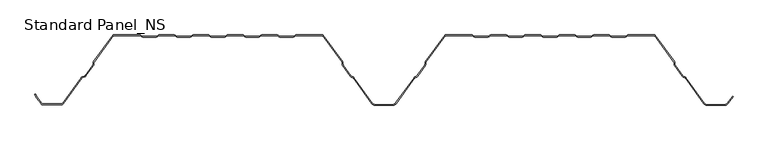
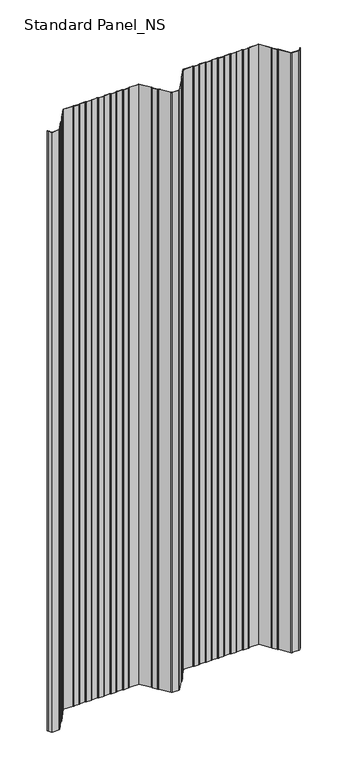
"""IFC4 building model written with IfcOpenShell, lengths in millimetres: proxy geometry, Standard Panel_NS."""

from ifc_helpers import new_model, si_unit, point, frame_2d, origin, origin_with_axes, place, context, project, spatial, polyline, circle_curve, trimmed, segment, composite_curve, outline, extrude, source, transform, mapped, element, save


def standard_panel_ns_6c4999a2(model_context):
    return source(origin(), model_context, "Body", "SweptSolid", [
        extrude(outline(composite_curve([segment(polyline([(-491.8230655, -98.864737), (-498.3914548, -89.8048897), (-500.5883843, -85.4014829), (-499.6935694, -84.9550455), (-497.5334488, -89.2846747), (-491.013455, -98.2777695)]), True, "CONTINUOUS"), segment(trimmed(circle_curve(frame_2d((-489.5977663, -97.2513951)), 1.7486049), [point((-491.013455, -98.2777695))], [point((-489.5977663, -99.0))], True, "CARTESIAN"), True, "CONTINUOUS"), segment(polyline([(-489.5977663, -99.0), (-462.4022334, -99.0)]), True, "CONTINUOUS"), segment(trimmed(circle_curve(frame_2d((-462.4022334, -97.2513951)), 1.7486049), [point((-462.4022334, -99.0))], [point((-460.9865447, -98.2777695))], True, "CARTESIAN"), True, "CONTINUOUS"), segment(polyline([(-460.9865447, -98.2777695), (-434.190829, -61.3181617)]), True, "CONTINUOUS"), segment(trimmed(circle_curve(frame_2d((-431.9655298, -62.9315037)), 2.7486049), [point((-434.190829, -61.3181617))], [point((-432.9221696, -60.3547481))], False, "CARTESIAN"), True, "CONTINUOUS"), segment(polyline([(-432.9221696, -60.3547481), (-429.1284964, -58.9463185)]), True, "CONTINUOUS"), segment(trimmed(circle_curve(frame_2d((-429.7370906, -57.3070406)), 1.7486049), [point((-429.1284964, -58.9463185))], [point((-428.3214018, -58.333415))], True, "CARTESIAN"), True, "CONTINUOUS"), segment(polyline([(-428.3214018, -58.333415), (-417.5718644, -43.5064668)]), True, "CONTINUOUS"), segment(trimmed(circle_curve(frame_2d((-418.9875532, -42.4800924)), 1.7486049), [point((-417.5718644, -43.5064668))], [point((-417.2402989, -42.5488047))], True, "CARTESIAN"), True, "CONTINUOUS"), segment(polyline([(-417.2402989, -42.5488047), (-417.1521235, -40.3066321)]), True, "CONTINUOUS"), segment(trimmed(circle_curve(frame_2d((-414.4056416, -40.4146398)), 2.7486049), [point((-417.1521235, -40.3066321))], [point((-416.6309408, -38.8012978))], False, "CARTESIAN"), True, "CONTINUOUS"), segment(polyline([(-416.6309408, -38.8012978), (-388.4999998, 0.0), (-350.1655438, 0.0)]), True, "CONTINUOUS"), segment(trimmed(circle_curve(frame_2d((-350.1655438, -2.7486049)), 2.7486049), [point((-350.1655438, 0.0))], [point((-348.6408921, -0.4616274))], False, "CARTESIAN"), True, "CONTINUOUS"), segment(polyline([(-348.6408921, -0.4616274), (-346.7738497, -1.7063223)]), True, "CONTINUOUS"), segment(trimmed(circle_curve(frame_2d((-345.8038982, -0.2513951)), 1.7486049), [point((-346.7738497, -1.7063223))], [point((-345.8038982, -2.0))], True, "CARTESIAN"), True, "CONTINUOUS"), segment(polyline([(-345.8038982, -2.0), (-326.8627681, -2.0)]), True, "CONTINUOUS"), segment(trimmed(circle_curve(frame_2d((-326.8627681, -0.2513951)), 1.7486049), [point((-326.8627681, -2.0))], [point((-325.8928167, -1.7063223))], True, "CARTESIAN"), True, "CONTINUOUS"), segment(polyline([(-325.8928167, -1.7063223), (-324.0257743, -0.4616274)]), True, "CONTINUOUS"), segment(trimmed(circle_curve(frame_2d((-322.5011226, -2.7486049)), 2.7486049), [point((-324.0257743, -0.4616274))], [point((-322.5011226, 0.0))], False, "CARTESIAN"), True, "CONTINUOUS"), segment(polyline([(-322.5011226, 0.0), (-300.9988771, 0.0)]), True, "CONTINUOUS"), segment(trimmed(circle_curve(frame_2d((-300.9988771, -2.7486049)), 2.7486049), [point((-300.9988771, 0.0))], [point((-299.4742254, -0.4616274))], False, "CARTESIAN"), True, "CONTINUOUS"), segment(polyline([(-299.4742254, -0.4616274), (-297.607183, -1.7063223)]), True, "CONTINUOUS"), segment(trimmed(circle_curve(frame_2d((-296.6372316, -0.2513951)), 1.7486049), [point((-297.607183, -1.7063223))], [point((-296.6372316, -2.0))], True, "CARTESIAN"), True, "CONTINUOUS"), segment(polyline([(-296.6372316, -2.0), (-277.6961015, -2.0)]), True, "CONTINUOUS"), segment(trimmed(circle_curve(frame_2d((-277.6961015, -0.2513951)), 1.7486049), [point((-277.6961015, -2.0))], [point((-276.72615, -1.7063223))], True, "CARTESIAN"), True, "CONTINUOUS"), segment(polyline([(-276.72615, -1.7063223), (-274.8591076, -0.4616274)]), True, "CONTINUOUS"), segment(trimmed(circle_curve(frame_2d((-273.3344559, -2.7486049)), 2.7486049), [point((-274.8591076, -0.4616274))], [point((-273.3344559, 0.0))], False, "CARTESIAN"), True, "CONTINUOUS"), segment(polyline([(-273.3344559, 0.0), (-251.8322104, 0.0)]), True, "CONTINUOUS"), segment(trimmed(circle_curve(frame_2d((-251.8322104, -2.7486049)), 2.7486049), [point((-251.8322104, 0.0))], [point((-250.3075588, -0.4616274))], False, "CARTESIAN"), True, "CONTINUOUS"), segment(polyline([(-250.3075588, -0.4616274), (-248.4405164, -1.7063223)]), True, "CONTINUOUS"), segment(trimmed(circle_curve(frame_2d((-247.4705649, -0.2513951)), 1.7486049), [point((-248.4405164, -1.7063223))], [point((-247.4705649, -2.0))], True, "CARTESIAN"), True, "CONTINUOUS"), segment(polyline([(-247.4705649, -2.0), (-228.5294348, -2.0)]), True, "CONTINUOUS"), segment(trimmed(circle_curve(frame_2d((-228.5294348, -0.2513951)), 1.7486049), [point((-228.5294348, -2.0))], [point((-227.5594833, -1.7063223))], True, "CARTESIAN"), True, "CONTINUOUS"), segment(polyline([(-227.5594833, -1.7063223), (-225.6924409, -0.4616274)]), True, "CONTINUOUS"), segment(trimmed(circle_curve(frame_2d((-224.1677892, -2.7486049)), 2.7486049), [point((-225.6924409, -0.4616274))], [point((-224.1677892, 0.0))], False, "CARTESIAN"), True, "CONTINUOUS"), segment(polyline([(-224.1677892, 0.0), (-202.6655438, 0.0)]), True, "CONTINUOUS"), segment(trimmed(circle_curve(frame_2d((-202.6655438, -2.7486049)), 2.7486049), [point((-202.6655438, 0.0))], [point((-201.1408921, -0.4616274))], False, "CARTESIAN"), True, "CONTINUOUS"), segment(polyline([(-201.1408921, -0.4616274), (-199.2738497, -1.7063223)]), True, "CONTINUOUS"), segment(trimmed(circle_curve(frame_2d((-198.3038982, -0.2513951)), 1.7486049), [point((-199.2738497, -1.7063223))], [point((-198.3038982, -2.0))], True, "CARTESIAN"), True, "CONTINUOUS"), segment(polyline([(-198.3038982, -2.0), (-179.3627681, -2.0)]), True, "CONTINUOUS"), segment(trimmed(circle_curve(frame_2d((-179.3627681, -0.2513951)), 1.7486049), [point((-179.3627681, -2.0))], [point((-178.3928167, -1.7063223))], True, "CARTESIAN"), True, "CONTINUOUS"), segment(polyline([(-178.3928167, -1.7063223), (-176.5257743, -0.4616274)]), True, "CONTINUOUS"), segment(trimmed(circle_curve(frame_2d((-175.0011226, -2.7486049)), 2.7486049), [point((-176.5257743, -0.4616274))], [point((-175.0011226, 0.0))], False, "CARTESIAN"), True, "CONTINUOUS"), segment(polyline([(-175.0011226, 0.0), (-153.4988771, 0.0)]), True, "CONTINUOUS"), segment(trimmed(circle_curve(frame_2d((-153.4988771, -2.7486049)), 2.7486049), [point((-153.4988771, 0.0))], [point((-151.9742254, -0.4616274))], False, "CARTESIAN"), True, "CONTINUOUS"), segment(polyline([(-151.9742254, -0.4616274), (-150.107183, -1.7063223)]), True, "CONTINUOUS"), segment(trimmed(circle_curve(frame_2d((-149.1372316, -0.2513951)), 1.7486049), [point((-150.107183, -1.7063223))], [point((-149.1372316, -2.0))], True, "CARTESIAN"), True, "CONTINUOUS"), segment(polyline([(-149.1372316, -2.0), (-130.1961015, -2.0)]), True, "CONTINUOUS"), segment(trimmed(circle_curve(frame_2d((-130.1961015, -0.2513951)), 1.7486049), [point((-130.1961015, -2.0))], [point((-129.22615, -1.7063223))], True, "CARTESIAN"), True, "CONTINUOUS"), segment(polyline([(-129.22615, -1.7063223), (-127.3591076, -0.4616274)]), True, "CONTINUOUS"), segment(trimmed(circle_curve(frame_2d((-125.8344559, -2.7486049)), 2.7486049), [point((-127.3591076, -0.4616274))], [point((-125.8344559, 0.0))], False, "CARTESIAN"), True, "CONTINUOUS"), segment(polyline([(-125.8344559, 0.0), (-87.4999998, 0.0), (-59.3690589, -38.8012978)]), True, "CONTINUOUS"), segment(trimmed(circle_curve(frame_2d((-61.5943581, -40.4146398)), 2.7486049), [point((-59.3690589, -38.8012978))], [point((-58.8478762, -40.3066321))], False, "CARTESIAN"), True, "CONTINUOUS"), segment(polyline([(-58.8478762, -40.3066321), (-58.7597008, -42.5488047)]), True, "CONTINUOUS"), segment(trimmed(circle_curve(frame_2d((-57.0124465, -42.4800924)), 1.7486049), [point((-58.7597008, -42.5488047))], [point((-58.4281353, -43.5064668))], True, "CARTESIAN"), True, "CONTINUOUS"), segment(polyline([(-58.4281353, -43.5064668), (-47.3103062, -58.8414035)]), True, "CONTINUOUS"), segment(trimmed(circle_curve(frame_2d((-45.8946174, -57.8150291)), 1.7486049), [point((-47.3103062, -58.8414035))], [point((-46.5032116, -59.4543071))], True, "CARTESIAN"), True, "CONTINUOUS"), segment(polyline([(-46.5032116, -59.4543071), (-44.3996002, -60.2352885)]), True, "CONTINUOUS"), segment(trimmed(circle_curve(frame_2d((-45.35624, -62.8120441)), 2.7486049), [point((-44.3996002, -60.2352885))], [point((-43.1309408, -61.1987022))], False, "CARTESIAN"), True, "CONTINUOUS"), segment(polyline([(-43.1309408, -61.1987022), (-16.4972424, -97.9348379)]), True, "CONTINUOUS"), segment(trimmed(circle_curve(frame_2d((-12.4491902, -95.0)), 5.0), [point((-16.4972424, -97.9348379))], [point((-12.4491902, -100.0))], True, "CARTESIAN"), True, "CONTINUOUS"), segment(polyline([(-12.4491902, -100.0), (12.4491905, -100.0)]), True, "CONTINUOUS"), segment(trimmed(circle_curve(frame_2d((12.4491905, -95.0)), 5.0), [point((12.4491905, -100.0))], [point((16.4972427, -97.9348379))], True, "CARTESIAN"), True, "CONTINUOUS"), segment(polyline([(16.4972427, -97.9348379), (43.1309411, -61.1987022)]), True, "CONTINUOUS"), segment(trimmed(circle_curve(frame_2d((45.3562403, -62.8120441)), 2.7486049), [point((43.1309411, -61.1987022))], [point((44.3996005, -60.2352885))], False, "CARTESIAN"), True, "CONTINUOUS"), segment(polyline([(44.3996005, -60.2352885), (46.5032119, -59.4543071)]), True, "CONTINUOUS"), segment(trimmed(circle_curve(frame_2d((45.8946177, -57.8150291)), 1.7486049), [point((46.5032119, -59.4543071))], [point((47.3103065, -58.8414035))], True, "CARTESIAN"), True, "CONTINUOUS"), segment(polyline([(47.3103065, -58.8414035), (58.4281356, -43.5064668)]), True, "CONTINUOUS"), segment(trimmed(circle_curve(frame_2d((57.0124468, -42.4800924)), 1.7486049), [point((58.4281356, -43.5064668))], [point((58.7597011, -42.5488047))], True, "CARTESIAN"), True, "CONTINUOUS"), segment(polyline([(58.7597011, -42.5488047), (58.8478765, -40.3066321)]), True, "CONTINUOUS"), segment(trimmed(circle_curve(frame_2d((61.5943584, -40.4146398)), 2.7486049), [point((58.8478765, -40.3066321))], [point((59.3690592, -38.8012978))], False, "CARTESIAN"), True, "CONTINUOUS"), segment(polyline([(59.3690592, -38.8012978), (87.5000002, 0.0), (125.8344562, 0.0)]), True, "CONTINUOUS"), segment(trimmed(circle_curve(frame_2d((125.8344562, -2.7486049)), 2.7486049), [point((125.8344562, 0.0))], [point((127.3591079, -0.4616274))], False, "CARTESIAN"), True, "CONTINUOUS"), segment(polyline([(127.3591079, -0.4616274), (129.2261503, -1.7063223)]), True, "CONTINUOUS"), segment(trimmed(circle_curve(frame_2d((130.1961018, -0.2513951)), 1.7486049), [point((129.2261503, -1.7063223))], [point((130.1961018, -2.0))], True, "CARTESIAN"), True, "CONTINUOUS"), segment(polyline([(130.1961018, -2.0), (149.1372319, -2.0)]), True, "CONTINUOUS"), segment(trimmed(circle_curve(frame_2d((149.1372319, -0.2513951)), 1.7486049), [point((149.1372319, -2.0))], [point((150.1071833, -1.7063223))], True, "CARTESIAN"), True, "CONTINUOUS"), segment(polyline([(150.1071833, -1.7063223), (151.9742257, -0.4616274)]), True, "CONTINUOUS"), segment(trimmed(circle_curve(frame_2d((153.4988774, -2.7486049)), 2.7486049), [point((151.9742257, -0.4616274))], [point((153.4988774, 0.0))], False, "CARTESIAN"), True, "CONTINUOUS"), segment(polyline([(153.4988774, 0.0), (175.0011229, 0.0)]), True, "CONTINUOUS"), segment(trimmed(circle_curve(frame_2d((175.0011229, -2.7486049)), 2.7486049), [point((175.0011229, 0.0))], [point((176.5257746, -0.4616274))], False, "CARTESIAN"), True, "CONTINUOUS"), segment(polyline([(176.5257746, -0.4616274), (178.392817, -1.7063223)]), True, "CONTINUOUS"), segment(trimmed(circle_curve(frame_2d((179.3627684, -0.2513951)), 1.7486049), [point((178.392817, -1.7063223))], [point((179.3627684, -2.0))], True, "CARTESIAN"), True, "CONTINUOUS"), segment(polyline([(179.3627684, -2.0), (198.3038985, -2.0)]), True, "CONTINUOUS"), segment(trimmed(circle_curve(frame_2d((198.3038985, -0.2513951)), 1.7486049), [point((198.3038985, -2.0))], [point((199.27385, -1.7063223))], True, "CARTESIAN"), True, "CONTINUOUS"), segment(polyline([(199.27385, -1.7063223), (201.1408924, -0.4616274)]), True, "CONTINUOUS"), segment(trimmed(circle_curve(frame_2d((202.6655441, -2.7486049)), 2.7486049), [point((201.1408924, -0.4616274))], [point((202.6655441, 0.0))], False, "CARTESIAN"), True, "CONTINUOUS"), segment(polyline([(202.6655441, 0.0), (224.1677896, 0.0)]), True, "CONTINUOUS"), segment(trimmed(circle_curve(frame_2d((224.1677896, -2.7486049)), 2.7486049), [point((224.1677896, 0.0))], [point((225.6924412, -0.4616274))], False, "CARTESIAN"), True, "CONTINUOUS"), segment(polyline([(225.6924412, -0.4616274), (227.5594836, -1.7063223)]), True, "CONTINUOUS"), segment(trimmed(circle_curve(frame_2d((228.5294351, -0.2513951)), 1.7486049), [point((227.5594836, -1.7063223))], [point((228.5294351, -2.0))], True, "CARTESIAN"), True, "CONTINUOUS"), segment(polyline([(228.5294351, -2.0), (247.4705652, -2.0)]), True, "CONTINUOUS"), segment(trimmed(circle_curve(frame_2d((247.4705652, -0.2513951)), 1.7486049), [point((247.4705652, -2.0))], [point((248.4405167, -1.7063223))], True, "CARTESIAN"), True, "CONTINUOUS"), segment(polyline([(248.4405167, -1.7063223), (250.3075591, -0.4616274)]), True, "CONTINUOUS"), segment(trimmed(circle_curve(frame_2d((251.8322108, -2.7486049)), 2.7486049), [point((250.3075591, -0.4616274))], [point((251.8322108, 0.0))], False, "CARTESIAN"), True, "CONTINUOUS"), segment(polyline([(251.8322108, 0.0), (273.3344562, 0.0)]), True, "CONTINUOUS"), segment(trimmed(circle_curve(frame_2d((273.3344562, -2.7486049)), 2.7486049), [point((273.3344562, 0.0))], [point((274.8591079, -0.4616274))], False, "CARTESIAN"), True, "CONTINUOUS"), segment(polyline([(274.8591079, -0.4616274), (276.7261503, -1.7063223)]), True, "CONTINUOUS"), segment(trimmed(circle_curve(frame_2d((277.6961018, -0.2513951)), 1.7486049), [point((276.7261503, -1.7063223))], [point((277.6961018, -2.0))], True, "CARTESIAN"), True, "CONTINUOUS"), segment(polyline([(277.6961018, -2.0), (296.6372319, -2.0)]), True, "CONTINUOUS"), segment(trimmed(circle_curve(frame_2d((296.6372319, -0.2513951)), 1.7486049), [point((296.6372319, -2.0))], [point((297.6071833, -1.7063223))], True, "CARTESIAN"), True, "CONTINUOUS"), segment(polyline([(297.6071833, -1.7063223), (299.4742257, -0.4616274)]), True, "CONTINUOUS"), segment(trimmed(circle_curve(frame_2d((300.9988774, -2.7486049)), 2.7486049), [point((299.4742257, -0.4616274))], [point((300.9988774, 0.0))], False, "CARTESIAN"), True, "CONTINUOUS"), segment(polyline([(300.9988774, 0.0), (322.5011229, 0.0)]), True, "CONTINUOUS"), segment(trimmed(circle_curve(frame_2d((322.5011229, -2.7486049)), 2.7486049), [point((322.5011229, 0.0))], [point((324.0257746, -0.4616274))], False, "CARTESIAN"), True, "CONTINUOUS"), segment(polyline([(324.0257746, -0.4616274), (325.892817, -1.7063223)]), True, "CONTINUOUS"), segment(trimmed(circle_curve(frame_2d((326.8627684, -0.2513951)), 1.7486049), [point((325.892817, -1.7063223))], [point((326.8627684, -2.0))], True, "CARTESIAN"), True, "CONTINUOUS"), segment(polyline([(326.8627684, -2.0), (345.8038985, -2.0)]), True, "CONTINUOUS"), segment(trimmed(circle_curve(frame_2d((345.8038985, -0.2513951)), 1.7486049), [point((345.8038985, -2.0))], [point((346.77385, -1.7063223))], True, "CARTESIAN"), True, "CONTINUOUS"), segment(polyline([(346.77385, -1.7063223), (348.6408924, -0.4616274)]), True, "CONTINUOUS"), segment(trimmed(circle_curve(frame_2d((350.1655441, -2.7486049)), 2.7486049), [point((348.6408924, -0.4616274))], [point((350.1655441, 0.0))], False, "CARTESIAN"), True, "CONTINUOUS"), segment(polyline([(350.1655441, 0.0), (388.5000002, 0.0), (416.6309411, -38.8012978)]), True, "CONTINUOUS"), segment(trimmed(circle_curve(frame_2d((414.4056419, -40.4146398)), 2.7486049), [point((416.6309411, -38.8012978))], [point((417.1521238, -40.3066321))], False, "CARTESIAN"), True, "CONTINUOUS"), segment(polyline([(417.1521238, -40.3066321), (417.2402992, -42.5488047)]), True, "CONTINUOUS"), segment(trimmed(circle_curve(frame_2d((418.9875535, -42.4800924)), 1.7486049), [point((417.2402992, -42.5488047))], [point((417.5718647, -43.5064668))], True, "CARTESIAN"), True, "CONTINUOUS"), segment(polyline([(417.5718647, -43.5064668), (428.6896938, -58.8414035)]), True, "CONTINUOUS"), segment(trimmed(circle_curve(frame_2d((430.1053826, -57.8150291)), 1.7486049), [point((428.6896938, -58.8414035))], [point((429.4967884, -59.4543071))], True, "CARTESIAN"), True, "CONTINUOUS"), segment(polyline([(429.4967884, -59.4543071), (431.6003998, -60.2352885)]), True, "CONTINUOUS"), segment(trimmed(circle_curve(frame_2d((430.64376, -62.8120441)), 2.7486049), [point((431.6003998, -60.2352885))], [point((432.8690592, -61.1987022))], False, "CARTESIAN"), True, "CONTINUOUS"), segment(polyline([(432.8690592, -61.1987022), (459.5027576, -97.9348379)]), True, "CONTINUOUS"), segment(trimmed(circle_curve(frame_2d((463.5508098, -95.0)), 5.0), [point((459.5027576, -97.9348379))], [point((463.5508098, -100.0))], True, "CARTESIAN"), True, "CONTINUOUS"), segment(polyline([(463.5508098, -100.0), (488.4491905, -100.0)]), True, "CONTINUOUS"), segment(trimmed(circle_curve(frame_2d((488.4491905, -95.0)), 5.0), [point((488.4491905, -100.0))], [point((492.4972427, -97.9348379))], True, "CARTESIAN"), True, "CONTINUOUS"), segment(polyline([(492.4972427, -97.9348379), (499.8045137, -87.8558433), (500.6141242, -88.4428109), (493.3068531, -98.5218054)]), True, "CONTINUOUS"), segment(trimmed(circle_curve(frame_2d((488.4491905, -95.0)), 6.0), [point((493.3068531, -98.5218054))], [point((488.4491905, -101.0))], False, "CARTESIAN"), True, "CONTINUOUS"), segment(polyline([(488.4491905, -101.0), (463.5508098, -101.0)]), True, "CONTINUOUS"), segment(trimmed(circle_curve(frame_2d((463.5508098, -95.0)), 6.0), [point((463.5508098, -101.0))], [point((458.6931472, -98.5218054))], False, "CARTESIAN"), True, "CONTINUOUS"), segment(polyline([(458.6931472, -98.5218054), (432.0594488, -61.7856697)]), True, "CONTINUOUS"), segment(trimmed(circle_curve(frame_2d((430.64376, -62.8120441)), 1.7486049), [point((432.0594488, -61.7856697))], [point((431.2523542, -61.1727662))], True, "CARTESIAN"), True, "CONTINUOUS"), segment(polyline([(431.2523542, -61.1727662), (429.1487428, -60.3917847)]), True, "CONTINUOUS"), segment(trimmed(circle_curve(frame_2d((430.1053826, -57.8150291)), 2.7486049), [point((429.1487428, -60.3917847))], [point((427.8800834, -59.4283711))], False, "CARTESIAN"), True, "CONTINUOUS"), segment(polyline([(427.8800834, -59.4283711), (416.7622543, -44.0934344)]), True, "CONTINUOUS"), segment(trimmed(circle_curve(frame_2d((418.9875535, -42.4800924)), 2.7486049), [point((416.7622543, -44.0934344))], [point((416.2410715, -42.5881001))], False, "CARTESIAN"), True, "CONTINUOUS"), segment(polyline([(416.2410715, -42.5881001), (416.1528962, -40.3459275)]), True, "CONTINUOUS"), segment(trimmed(circle_curve(frame_2d((414.4056419, -40.4146398)), 1.7486049), [point((416.1528962, -40.3459275))], [point((415.8213306, -39.3882654))], True, "CARTESIAN"), True, "CONTINUOUS"), segment(polyline([(415.8213306, -39.3882654), (387.9898382, -1.0), (350.1655441, -1.0)]), True, "CONTINUOUS"), segment(trimmed(circle_curve(frame_2d((350.1655441, -2.7486049)), 1.7486049), [point((350.1655441, -1.0))], [point((349.1955926, -1.2936777))], True, "CARTESIAN"), True, "CONTINUOUS"), segment(polyline([(349.1955926, -1.2936777), (347.3285502, -2.5383726)]), True, "CONTINUOUS"), segment(trimmed(circle_curve(frame_2d((345.8038985, -0.2513951)), 2.7486049), [point((347.3285502, -2.5383726))], [point((345.8038985, -3.0))], False, "CARTESIAN"), True, "CONTINUOUS"), segment(polyline([(345.8038985, -3.0), (326.8627684, -3.0)]), True, "CONTINUOUS"), segment(trimmed(circle_curve(frame_2d((326.8627684, -0.2513951)), 2.7486049), [point((326.8627684, -3.0))], [point((325.3381168, -2.5383726))], False, "CARTESIAN"), True, "CONTINUOUS"), segment(polyline([(325.3381168, -2.5383726), (323.4710744, -1.2936777)]), True, "CONTINUOUS"), segment(trimmed(circle_curve(frame_2d((322.5011229, -2.7486049)), 1.7486049), [point((323.4710744, -1.2936777))], [point((322.5011229, -1.0))], True, "CARTESIAN"), True, "CONTINUOUS"), segment(polyline([(322.5011229, -1.0), (300.9988774, -1.0)]), True, "CONTINUOUS"), segment(trimmed(circle_curve(frame_2d((300.9988774, -2.7486049)), 1.7486049), [point((300.9988774, -1.0))], [point((300.0289259, -1.2936777))], True, "CARTESIAN"), True, "CONTINUOUS"), segment(polyline([(300.0289259, -1.2936777), (298.1618835, -2.5383726)]), True, "CONTINUOUS"), segment(trimmed(circle_curve(frame_2d((296.6372319, -0.2513951)), 2.7486049), [point((298.1618835, -2.5383726))], [point((296.6372319, -3.0))], False, "CARTESIAN"), True, "CONTINUOUS"), segment(polyline([(296.6372319, -3.0), (277.6961018, -3.0)]), True, "CONTINUOUS"), segment(trimmed(circle_curve(frame_2d((277.6961018, -0.2513951)), 2.7486049), [point((277.6961018, -3.0))], [point((276.1714501, -2.5383726))], False, "CARTESIAN"), True, "CONTINUOUS"), segment(polyline([(276.1714501, -2.5383726), (274.3044077, -1.2936777)]), True, "CONTINUOUS"), segment(trimmed(circle_curve(frame_2d((273.3344562, -2.7486049)), 1.7486049), [point((274.3044077, -1.2936777))], [point((273.3344562, -1.0))], True, "CARTESIAN"), True, "CONTINUOUS"), segment(polyline([(273.3344562, -1.0), (251.8322108, -1.0)]), True, "CONTINUOUS"), segment(trimmed(circle_curve(frame_2d((251.8322108, -2.7486049)), 1.7486049), [point((251.8322108, -1.0))], [point((250.8622593, -1.2936777))], True, "CARTESIAN"), True, "CONTINUOUS"), segment(polyline([(250.8622593, -1.2936777), (248.9952169, -2.5383726)]), True, "CONTINUOUS"), segment(trimmed(circle_curve(frame_2d((247.4705652, -0.2513951)), 2.7486049), [point((248.9952169, -2.5383726))], [point((247.4705652, -3.0))], False, "CARTESIAN"), True, "CONTINUOUS"), segment(polyline([(247.4705652, -3.0), (228.5294351, -3.0)]), True, "CONTINUOUS"), segment(trimmed(circle_curve(frame_2d((228.5294351, -0.2513951)), 2.7486049), [point((228.5294351, -3.0))], [point((227.0047834, -2.5383726))], False, "CARTESIAN"), True, "CONTINUOUS"), segment(polyline([(227.0047834, -2.5383726), (225.137741, -1.2936777)]), True, "CONTINUOUS"), segment(trimmed(circle_curve(frame_2d((224.1677896, -2.7486049)), 1.7486049), [point((225.137741, -1.2936777))], [point((224.1677896, -1.0))], True, "CARTESIAN"), True, "CONTINUOUS"), segment(polyline([(224.1677896, -1.0), (202.6655441, -1.0)]), True, "CONTINUOUS"), segment(trimmed(circle_curve(frame_2d((202.6655441, -2.7486049)), 1.7486049), [point((202.6655441, -1.0))], [point((201.6955926, -1.2936777))], True, "CARTESIAN"), True, "CONTINUOUS"), segment(polyline([(201.6955926, -1.2936777), (199.8285502, -2.5383726)]), True, "CONTINUOUS"), segment(trimmed(circle_curve(frame_2d((198.3038985, -0.2513951)), 2.7486049), [point((199.8285502, -2.5383726))], [point((198.3038985, -3.0))], False, "CARTESIAN"), True, "CONTINUOUS"), segment(polyline([(198.3038985, -3.0), (179.3627684, -3.0)]), True, "CONTINUOUS"), segment(trimmed(circle_curve(frame_2d((179.3627684, -0.2513951)), 2.7486049), [point((179.3627684, -3.0))], [point((177.8381168, -2.5383726))], False, "CARTESIAN"), True, "CONTINUOUS"), segment(polyline([(177.8381168, -2.5383726), (175.9710744, -1.2936777)]), True, "CONTINUOUS"), segment(trimmed(circle_curve(frame_2d((175.0011229, -2.7486049)), 1.7486049), [point((175.9710744, -1.2936777))], [point((175.0011229, -1.0))], True, "CARTESIAN"), True, "CONTINUOUS"), segment(polyline([(175.0011229, -1.0), (153.4988774, -1.0)]), True, "CONTINUOUS"), segment(trimmed(circle_curve(frame_2d((153.4988774, -2.7486049)), 1.7486049), [point((153.4988774, -1.0))], [point((152.5289259, -1.2936777))], True, "CARTESIAN"), True, "CONTINUOUS"), segment(polyline([(152.5289259, -1.2936777), (150.6618835, -2.5383726)]), True, "CONTINUOUS"), segment(trimmed(circle_curve(frame_2d((149.1372319, -0.2513951)), 2.7486049), [point((150.6618835, -2.5383726))], [point((149.1372319, -3.0))], False, "CARTESIAN"), True, "CONTINUOUS"), segment(polyline([(149.1372319, -3.0), (130.1961018, -3.0)]), True, "CONTINUOUS"), segment(trimmed(circle_curve(frame_2d((130.1961018, -0.2513951)), 2.7486049), [point((130.1961018, -3.0))], [point((128.6714501, -2.5383726))], False, "CARTESIAN"), True, "CONTINUOUS"), segment(polyline([(128.6714501, -2.5383726), (126.8044077, -1.2936777)]), True, "CONTINUOUS"), segment(trimmed(circle_curve(frame_2d((125.8344562, -2.7486049)), 1.7486049), [point((126.8044077, -1.2936777))], [point((125.8344562, -1.0))], True, "CARTESIAN"), True, "CONTINUOUS"), segment(polyline([(125.8344562, -1.0), (88.0101621, -1.0), (60.1786697, -39.3882654)]), True, "CONTINUOUS"), segment(trimmed(circle_curve(frame_2d((61.5943584, -40.4146398)), 1.7486049), [point((60.1786697, -39.3882654))], [point((59.8471041, -40.3459275))], True, "CARTESIAN"), True, "CONTINUOUS"), segment(polyline([(59.8471041, -40.3459275), (59.7589288, -42.5881001)]), True, "CONTINUOUS"), segment(trimmed(circle_curve(frame_2d((57.0124468, -42.4800924)), 2.7486049), [point((59.7589288, -42.5881001))], [point((59.237746, -44.0934344))], False, "CARTESIAN"), True, "CONTINUOUS"), segment(polyline([(59.237746, -44.0934344), (48.1199169, -59.4283711)]), True, "CONTINUOUS"), segment(trimmed(circle_curve(frame_2d((45.8946177, -57.8150291)), 2.7486049), [point((48.1199169, -59.4283711))], [point((46.8512575, -60.3917847))], False, "CARTESIAN"), True, "CONTINUOUS"), segment(polyline([(46.8512575, -60.3917847), (44.7476461, -61.1727662)]), True, "CONTINUOUS"), segment(trimmed(circle_curve(frame_2d((45.3562403, -62.8120441)), 1.7486049), [point((44.7476461, -61.1727662))], [point((43.9405515, -61.7856697))], True, "CARTESIAN"), True, "CONTINUOUS"), segment(polyline([(43.9405515, -61.7856697), (17.3068531, -98.5218054)]), True, "CONTINUOUS"), segment(trimmed(circle_curve(frame_2d((12.4491905, -95.0)), 6.0), [point((17.3068531, -98.5218054))], [point((12.4491905, -101.0))], False, "CARTESIAN"), True, "CONTINUOUS"), segment(polyline([(12.4491905, -101.0), (-12.4491902, -101.0)]), True, "CONTINUOUS"), segment(trimmed(circle_curve(frame_2d((-12.4491902, -95.0)), 6.0), [point((-12.4491902, -101.0))], [point((-17.3068528, -98.5218054))], False, "CARTESIAN"), True, "CONTINUOUS"), segment(polyline([(-17.3068528, -98.5218054), (-43.9405512, -61.7856697)]), True, "CONTINUOUS"), segment(trimmed(circle_curve(frame_2d((-45.35624, -62.8120441)), 1.7486049), [point((-43.9405512, -61.7856697))], [point((-44.7476458, -61.1727662))], True, "CARTESIAN"), True, "CONTINUOUS"), segment(polyline([(-44.7476458, -61.1727662), (-46.8512572, -60.3917847)]), True, "CONTINUOUS"), segment(trimmed(circle_curve(frame_2d((-45.8946174, -57.8150291)), 2.7486049), [point((-46.8512572, -60.3917847))], [point((-48.1199166, -59.4283711))], False, "CARTESIAN"), True, "CONTINUOUS"), segment(polyline([(-48.1199166, -59.4283711), (-59.2377457, -44.0934344)]), True, "CONTINUOUS"), segment(trimmed(circle_curve(frame_2d((-57.0124465, -42.4800924)), 2.7486049), [point((-59.2377457, -44.0934344))], [point((-59.7589285, -42.5881001))], False, "CARTESIAN"), True, "CONTINUOUS"), segment(polyline([(-59.7589285, -42.5881001), (-59.8471038, -40.3459275)]), True, "CONTINUOUS"), segment(trimmed(circle_curve(frame_2d((-61.5943581, -40.4146398)), 1.7486049), [point((-59.8471038, -40.3459275))], [point((-60.1786694, -39.3882654))], True, "CARTESIAN"), True, "CONTINUOUS"), segment(polyline([(-60.1786694, -39.3882654), (-88.0101618, -1.0), (-125.8344559, -1.0)]), True, "CONTINUOUS"), segment(trimmed(circle_curve(frame_2d((-125.8344559, -2.7486049)), 1.7486049), [point((-125.8344559, -1.0))], [point((-126.8044074, -1.2936777))], True, "CARTESIAN"), True, "CONTINUOUS"), segment(polyline([(-126.8044074, -1.2936777), (-128.6714498, -2.5383726)]), True, "CONTINUOUS"), segment(trimmed(circle_curve(frame_2d((-130.1961015, -0.2513951)), 2.7486049), [point((-128.6714498, -2.5383726))], [point((-130.1961015, -3.0))], False, "CARTESIAN"), True, "CONTINUOUS"), segment(polyline([(-130.1961015, -3.0), (-149.1372316, -3.0)]), True, "CONTINUOUS"), segment(trimmed(circle_curve(frame_2d((-149.1372316, -0.2513951)), 2.7486049), [point((-149.1372316, -3.0))], [point((-150.6618832, -2.5383726))], False, "CARTESIAN"), True, "CONTINUOUS"), segment(polyline([(-150.6618832, -2.5383726), (-152.5289256, -1.2936777)]), True, "CONTINUOUS"), segment(trimmed(circle_curve(frame_2d((-153.4988771, -2.7486049)), 1.7486049), [point((-152.5289256, -1.2936777))], [point((-153.4988771, -1.0))], True, "CARTESIAN"), True, "CONTINUOUS"), segment(polyline([(-153.4988771, -1.0), (-175.0011226, -1.0)]), True, "CONTINUOUS"), segment(trimmed(circle_curve(frame_2d((-175.0011226, -2.7486049)), 1.7486049), [point((-175.0011226, -1.0))], [point((-175.9710741, -1.2936777))], True, "CARTESIAN"), True, "CONTINUOUS"), segment(polyline([(-175.9710741, -1.2936777), (-177.8381165, -2.5383726)]), True, "CONTINUOUS"), segment(trimmed(circle_curve(frame_2d((-179.3627681, -0.2513951)), 2.7486049), [point((-177.8381165, -2.5383726))], [point((-179.3627681, -3.0))], False, "CARTESIAN"), True, "CONTINUOUS"), segment(polyline([(-179.3627681, -3.0), (-198.3038982, -3.0)]), True, "CONTINUOUS"), segment(trimmed(circle_curve(frame_2d((-198.3038982, -0.2513951)), 2.7486049), [point((-198.3038982, -3.0))], [point((-199.8285499, -2.5383726))], False, "CARTESIAN"), True, "CONTINUOUS"), segment(polyline([(-199.8285499, -2.5383726), (-201.6955923, -1.2936777)]), True, "CONTINUOUS"), segment(trimmed(circle_curve(frame_2d((-202.6655438, -2.7486049)), 1.7486049), [point((-201.6955923, -1.2936777))], [point((-202.6655438, -1.0))], True, "CARTESIAN"), True, "CONTINUOUS"), segment(polyline([(-202.6655438, -1.0), (-224.1677892, -1.0)]), True, "CONTINUOUS"), segment(trimmed(circle_curve(frame_2d((-224.1677892, -2.7486049)), 1.7486049), [point((-224.1677892, -1.0))], [point((-225.1377407, -1.2936777))], True, "CARTESIAN"), True, "CONTINUOUS"), segment(polyline([(-225.1377407, -1.2936777), (-227.0047831, -2.5383726)]), True, "CONTINUOUS"), segment(trimmed(circle_curve(frame_2d((-228.5294348, -0.2513951)), 2.7486049), [point((-227.0047831, -2.5383726))], [point((-228.5294348, -3.0))], False, "CARTESIAN"), True, "CONTINUOUS"), segment(polyline([(-228.5294348, -3.0), (-247.4705649, -3.0)]), True, "CONTINUOUS"), segment(trimmed(circle_curve(frame_2d((-247.4705649, -0.2513951)), 2.7486049), [point((-247.4705649, -3.0))], [point((-248.9952166, -2.5383726))], False, "CARTESIAN"), True, "CONTINUOUS"), segment(polyline([(-248.9952166, -2.5383726), (-250.862259, -1.2936777)]), True, "CONTINUOUS"), segment(trimmed(circle_curve(frame_2d((-251.8322104, -2.7486049)), 1.7486049), [point((-250.862259, -1.2936777))], [point((-251.8322104, -1.0))], True, "CARTESIAN"), True, "CONTINUOUS"), segment(polyline([(-251.8322104, -1.0), (-273.3344559, -1.0)]), True, "CONTINUOUS"), segment(trimmed(circle_curve(frame_2d((-273.3344559, -2.7486049)), 1.7486049), [point((-273.3344559, -1.0))], [point((-274.3044074, -1.2936777))], True, "CARTESIAN"), True, "CONTINUOUS"), segment(polyline([(-274.3044074, -1.2936777), (-276.1714498, -2.5383726)]), True, "CONTINUOUS"), segment(trimmed(circle_curve(frame_2d((-277.6961015, -0.2513951)), 2.7486049), [point((-276.1714498, -2.5383726))], [point((-277.6961015, -3.0))], False, "CARTESIAN"), True, "CONTINUOUS"), segment(polyline([(-277.6961015, -3.0), (-296.6372316, -3.0)]), True, "CONTINUOUS"), segment(trimmed(circle_curve(frame_2d((-296.6372316, -0.2513951)), 2.7486049), [point((-296.6372316, -3.0))], [point((-298.1618832, -2.5383726))], False, "CARTESIAN"), True, "CONTINUOUS"), segment(polyline([(-298.1618832, -2.5383726), (-300.0289256, -1.2936777)]), True, "CONTINUOUS"), segment(trimmed(circle_curve(frame_2d((-300.9988771, -2.7486049)), 1.7486049), [point((-300.0289256, -1.2936777))], [point((-300.9988771, -1.0))], True, "CARTESIAN"), True, "CONTINUOUS"), segment(polyline([(-300.9988771, -1.0), (-322.5011226, -1.0)]), True, "CONTINUOUS"), segment(trimmed(circle_curve(frame_2d((-322.5011226, -2.7486049)), 1.7486049), [point((-322.5011226, -1.0))], [point((-323.4710741, -1.2936777))], True, "CARTESIAN"), True, "CONTINUOUS"), segment(polyline([(-323.4710741, -1.2936777), (-325.3381165, -2.5383726)]), True, "CONTINUOUS"), segment(trimmed(circle_curve(frame_2d((-326.8627681, -0.2513951)), 2.7486049), [point((-325.3381165, -2.5383726))], [point((-326.8627681, -3.0))], False, "CARTESIAN"), True, "CONTINUOUS"), segment(polyline([(-326.8627681, -3.0), (-345.8038982, -3.0)]), True, "CONTINUOUS"), segment(trimmed(circle_curve(frame_2d((-345.8038982, -0.2513951)), 2.7486049), [point((-345.8038982, -3.0))], [point((-347.3285499, -2.5383726))], False, "CARTESIAN"), True, "CONTINUOUS"), segment(polyline([(-347.3285499, -2.5383726), (-349.1955923, -1.2936777)]), True, "CONTINUOUS"), segment(trimmed(circle_curve(frame_2d((-350.1655438, -2.7486049)), 1.7486049), [point((-349.1955923, -1.2936777))], [point((-350.1655438, -1.0))], True, "CARTESIAN"), True, "CONTINUOUS"), segment(polyline([(-350.1655438, -1.0), (-387.9898379, -1.0), (-415.8213303, -39.3882654)]), True, "CONTINUOUS"), segment(trimmed(circle_curve(frame_2d((-414.4056416, -40.4146398)), 1.7486049), [point((-415.8213303, -39.3882654))], [point((-416.1528959, -40.3459275))], True, "CARTESIAN"), True, "CONTINUOUS"), segment(polyline([(-416.1528959, -40.3459275), (-416.2410712, -42.5881001)]), True, "CONTINUOUS"), segment(trimmed(circle_curve(frame_2d((-418.9875532, -42.4800924)), 2.7486049), [point((-416.2410712, -42.5881001))], [point((-416.762254, -44.0934344))], False, "CARTESIAN"), True, "CONTINUOUS"), segment(polyline([(-416.762254, -44.0934344), (-427.5117914, -58.9203825)]), True, "CONTINUOUS"), segment(trimmed(circle_curve(frame_2d((-429.7370906, -57.3070406)), 2.7486049), [point((-427.5117914, -58.9203825))], [point((-428.7804508, -59.8837962))], False, "CARTESIAN"), True, "CONTINUOUS"), segment(polyline([(-428.7804508, -59.8837962), (-432.574124, -61.2922257)]), True, "CONTINUOUS"), segment(trimmed(circle_curve(frame_2d((-431.9655298, -62.9315037)), 1.7486049), [point((-432.574124, -61.2922257))], [point((-433.3812186, -61.9051293))], True, "CARTESIAN"), True, "CONTINUOUS"), segment(polyline([(-433.3812186, -61.9051293), (-460.1769342, -98.864737)]), True, "CONTINUOUS"), segment(trimmed(circle_curve(frame_2d((-462.4022334, -97.2513951)), 2.7486049), [point((-460.1769342, -98.864737))], [point((-462.4022334, -100.0))], False, "CARTESIAN"), True, "CONTINUOUS"), segment(polyline([(-462.4022334, -100.0), (-489.5977663, -100.0)]), True, "CONTINUOUS"), segment(trimmed(circle_curve(frame_2d((-489.5977663, -97.2513951)), 2.7486049), [point((-489.5977663, -100.0))], [point((-491.8230655, -98.864737))], False, "CARTESIAN"), True, "CONTINUOUS")], self_intersect=False)), origin_with_axes(), (0.0, 0.0, 1.0), 2512.4689053),
    ])


if __name__ == "__main__":
    model = new_model("IFC4")
    model_context = context("Model", 3, world=origin())
    ifc_project = project(units=[si_unit("LENGTHUNIT", "METRE", prefix="MILLI")], contexts=[model_context])
    site = spatial("IfcSite", under=ifc_project)
    building = spatial("IfcBuilding", under=site)
    placement = place(None, origin())
    standard_panel_ns_shape = standard_panel_ns_6c4999a2(model_context)
    element("IfcBuildingElementProxy", 1, Name="Standard Panel_NS", ObjectType="Standard Panel_NS", at=placement, inside=building, context=model_context, shape_type="MappedRepresentation", body=[
        mapped(standard_panel_ns_shape, transform((0.0, 0.0, 0.0), x_axis=(1.0, 0.0, 0.0), y_axis=(0.0, 1.0, 0.0), z_axis=(0.0, 0.0, 1.0))),
    ])
    save(model, "model.ifc")
